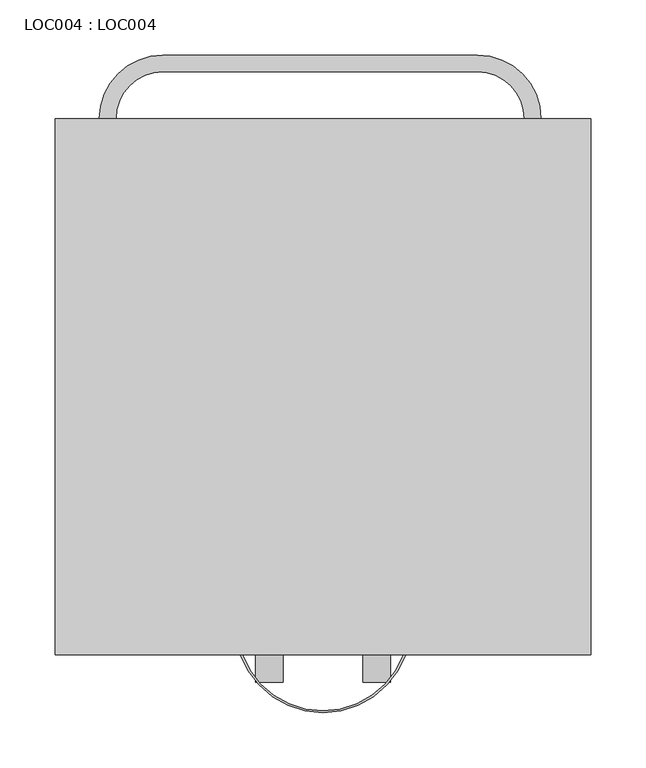
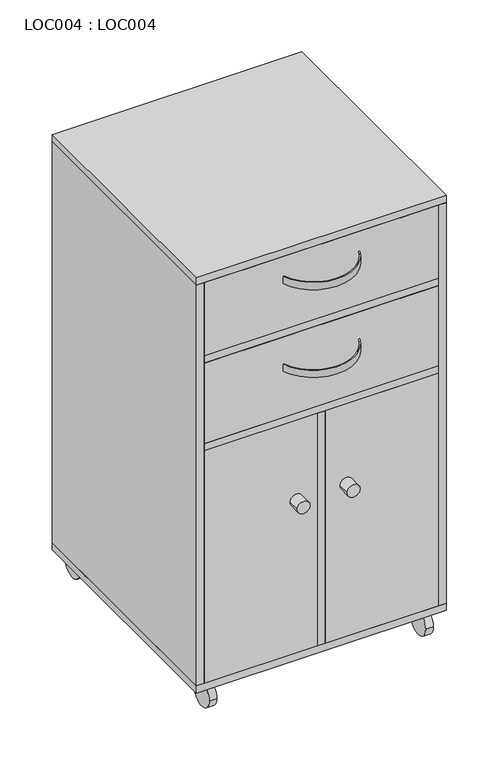
"""IFC4 building model written with IfcOpenShell, lengths in millimetres: proxy geometry, LOC004 : LOC004."""

from ifc_helpers import new_model, si_unit, point, frame, frame_2d, origin, place, context, project, spatial, polyline, circle_curve, trimmed, segment, composite_curve, outline, extrude, source, transform, mapped, element, save


def loc004_loc004_8f75131f(model_context):
    return source(origin(), model_context, "Body", "SweptSolid", [
        extrude(outline(polyline([(470.0200024, -485.0), (15.0199998, -485.0), (15.0199998, -470.0100031), (470.0200024, -470.0100031), (470.0200024, -485.0)])), frame((0.0, 0.0, 736.9999998), z_axis=(0.0, 0.0, 1.0), x_axis=(1.0, 0.0, 0.0)), (0.0, 0.0, 1.0), 150.0000011),
        extrude(outline(polyline([(470.0200024, -485.0), (15.0199998, -485.0), (15.0199998, -470.0100031), (470.0200024, -470.0100031), (470.0200024, -485.0)])), frame((0.0, 0.0, 557.000013), z_axis=(0.0, 0.0, 1.0), x_axis=(1.0, 0.0, 0.0)), (0.0, 0.0, 1.0), 164.9999577),
        extrude(outline(polyline([(234.9799981, -485.0), (15.0199998, -485.0), (15.0199998, -470.0100031), (234.9799981, -470.0100031), (234.9799981, -485.0)])), frame((0.0, 0.0, 65.0000296), z_axis=(0.0, 0.0, 1.0), x_axis=(1.0, 0.0, 0.0)), (0.0, 0.0, 1.0), 476.9999542),
        extrude(outline(polyline([(470.0200024, -485.0), (250.0600041, -485.0), (250.0600041, -470.0100031), (470.0200024, -470.0100031), (470.0200024, -485.0)])), frame((0.0, 0.0, 65.0000296), z_axis=(0.0, 0.0, 1.0), x_axis=(1.0, 0.0, 0.0)), (0.0, 0.0, 1.0), 476.9999542),
        extrude(outline(polyline([(234.9799981, -485.0), (234.9799981, -14.9899969), (249.9800091, -14.9899969), (249.9800091, -485.0), (234.9799981, -485.0)])), frame((0.0, 0.0, 65.0000296), z_axis=(0.0, 0.0, 1.0), x_axis=(1.0, 0.0, 0.0)), (0.0, 0.0, 1.0), 476.9999542),
        extrude(outline(polyline([(15.0199998, -485.0100031), (15.0199998, -14.9899969), (470.0200024, -14.9899969), (470.0200024, -485.0100031), (15.0199998, -485.0100031)])), frame((0.0, 0.0, 721.9999706), z_axis=(0.0, 0.0, 1.0), x_axis=(1.0, 0.0, 0.0)), (0.0, 0.0, 1.0), 15.0000292),
        extrude(outline(polyline([(15.0199998, -485.0100031), (15.0199998, -14.9899969), (470.0200024, -14.9899969), (470.0200024, -485.0100031), (15.0199998, -485.0100031)])), frame((0.0, 0.0, 541.9999838), z_axis=(0.0, 0.0, 1.0), x_axis=(1.0, 0.0, 0.0)), (0.0, 0.0, 1.0), 15.0000292),
        extrude(outline(composite_curve([segment(trimmed(circle_curve(frame_2d((-25.0100016, 25.0000002)), 25.0), [point((-50.0100016, 25.0000002))], [point((-0.0100016, 25.0000002))], False, "CARTESIAN"), True, "CONTINUOUS"), segment(trimmed(circle_curve(frame_2d((-25.0100016, 25.0000002)), 25.0), [point((-0.0100016, 25.0000002))], [point((-50.0100016, 25.0000002))], False, "CARTESIAN"), True, "CONTINUOUS")], self_intersect=False)), frame((25.0000053, 0.0, 0.0), z_axis=(1.0, 0.0, 0.0), x_axis=(0.0, 1.0, 0.0)), (0.0, 0.0, 1.0), 14.9999928),
        extrude(outline(composite_curve([segment(trimmed(circle_curve(frame_2d((-460.0100031, 25.0000002)), 25.0), [point((-485.0100031, 25.0000002))], [point((-435.0100031, 25.0000002))], False, "CARTESIAN"), True, "CONTINUOUS"), segment(trimmed(circle_curve(frame_2d((-460.0100031, 25.0000002)), 25.0), [point((-435.0100031, 25.0000002))], [point((-485.0100031, 25.0000002))], False, "CARTESIAN"), True, "CONTINUOUS")], self_intersect=False)), frame((25.0000053, 0.0, 0.0), z_axis=(1.0, 0.0, 0.0), x_axis=(0.0, 1.0, 0.0)), (0.0, 0.0, 1.0), 14.9999928),
        extrude(outline(composite_curve([segment(trimmed(circle_curve(frame_2d((-25.0100016, 25.0000002)), 25.0), [point((-50.0100016, 25.0000002))], [point((-0.0100016, 25.0000002))], False, "CARTESIAN"), True, "CONTINUOUS"), segment(trimmed(circle_curve(frame_2d((-25.0100016, 25.0000002)), 25.0), [point((-0.0100016, 25.0000002))], [point((-50.0100016, 25.0000002))], False, "CARTESIAN"), True, "CONTINUOUS")], self_intersect=False)), frame((445.0200022, 0.0, 0.0), z_axis=(1.0, 0.0, 0.0), x_axis=(0.0, 1.0, 0.0)), (0.0, 0.0, 1.0), 14.9999928),
        extrude(outline(composite_curve([segment(trimmed(circle_curve(frame_2d((-460.0100031, 25.0000002)), 25.0), [point((-485.0100031, 25.0000002))], [point((-435.0100031, 25.0000002))], False, "CARTESIAN"), True, "CONTINUOUS"), segment(trimmed(circle_curve(frame_2d((-460.0100031, 25.0000002)), 25.0), [point((-435.0100031, 25.0000002))], [point((-485.0100031, 25.0000002))], False, "CARTESIAN"), True, "CONTINUOUS")], self_intersect=False)), frame((445.0200022, 0.0, 0.0), z_axis=(1.0, 0.0, 0.0), x_axis=(0.0, 1.0, 0.0)), (0.0, 0.0, 1.0), 14.9999928),
        extrude(outline(composite_curve([segment(polyline([(55.0100026, 0.0100031), (40.02, 0.0100031)]), True, "CONTINUOUS"), segment(trimmed(circle_curve(frame_2d((97.5099983, 0.0100031)), 57.4899983), [point((40.02, 0.0100031))], [point((97.5099983, 57.5000013))], False, "CARTESIAN"), True, "CONTINUOUS"), segment(polyline([(97.5099983, 57.5000013), (382.5000175, 57.5000013)]), True, "CONTINUOUS"), segment(trimmed(circle_curve(frame_2d((382.5000175, 0.0100031)), 57.4899983), [point((382.5000175, 57.5000013))], [point((439.9900157, 0.0100031))], False, "CARTESIAN"), True, "CONTINUOUS"), segment(polyline([(439.9900157, 0.0100031), (424.9992211, 0.0100031)]), True, "CONTINUOUS"), segment(trimmed(circle_curve(frame_2d((382.5092247, 0.0100031)), 42.4899963), [point((424.9992211, 0.0100031))], [point((382.5092247, 42.4999994))], True, "CARTESIAN"), True, "CONTINUOUS"), segment(polyline([(382.5092247, 42.4999994), (97.4999989, 42.4999994)]), True, "CONTINUOUS"), segment(trimmed(circle_curve(frame_2d((97.4999989, 0.0100031)), 42.4899963), [point((97.4999989, 42.4999994))], [point((55.0100026, 0.0100031))], True, "CARTESIAN"), True, "CONTINUOUS")], self_intersect=False)), frame((0.0, 0.0, 792.8777537), z_axis=(0.0, 0.0, 1.0), x_axis=(1.0, 0.0, 0.0)), (0.0, 0.0, 1.0), 14.2926472),
        extrude(outline(composite_curve([segment(trimmed(circle_curve(frame_2d((378.5800169, 194.0099964)), 12.4760252), [point((378.5800169, 181.5339712))], [point((378.5800169, 206.4860216))], False, "CARTESIAN"), True, "CONTINUOUS"), segment(trimmed(circle_curve(frame_2d((378.5800169, 194.0099964)), 12.4760252), [point((378.5800169, 206.4860216))], [point((378.5800169, 181.5339712))], False, "CARTESIAN"), True, "CONTINUOUS")], self_intersect=False)), frame((0.0, -510.0100033, 0.0), z_axis=(0.0, 1.0, 0.0), x_axis=(0.0, 0.0, 1.0)), (0.0, 0.0, 1.0), 25.0000002),
        extrude(outline(composite_curve([segment(trimmed(circle_curve(frame_2d((378.5800169, 291.0399931)), 12.4570057), [point((378.5800169, 278.5829875))], [point((378.5800169, 303.4969988))], False, "CARTESIAN"), True, "CONTINUOUS"), segment(trimmed(circle_curve(frame_2d((378.5800169, 291.0399931)), 12.4570057), [point((378.5800169, 303.4969988))], [point((378.5800169, 278.5829875))], False, "CARTESIAN"), True, "CONTINUOUS")], self_intersect=False)), frame((0.0, -510.0100033, 0.0), z_axis=(0.0, 1.0, 0.0), x_axis=(0.0, 0.0, 1.0)), (0.0, 0.0, 1.0), 25.0000002),
        extrude(outline(polyline([(485.0199952, -485.0100031), (470.0200024, -485.0100031), (470.0200024, 0.0), (485.0199952, 0.0), (485.0199952, -485.0100031)])), frame((0.0, 0.0, 65.0000296), z_axis=(0.0, 0.0, 1.0), x_axis=(1.0, 0.0, 0.0)), (0.0, 0.0, 1.0), 821.9999714),
        extrude(outline(polyline([(15.0199998, -485.0100031), (0.0, -485.0100031), (0.0, 0.0), (15.0199998, 0.0), (15.0199998, -485.0100031)])), frame((0.0, 0.0, 65.0000296), z_axis=(0.0, 0.0, 1.0), x_axis=(1.0, 0.0, 0.0)), (0.0, 0.0, 1.0), 821.9999714),
        extrude(outline(polyline([(470.0200024, -14.9899969), (15.0199998, -14.9899969), (15.0199998, 0.0), (470.0200024, 0.0), (470.0200024, -14.9899969)])), frame((0.0, 0.0, 65.0000296), z_axis=(0.0, 0.0, 1.0), x_axis=(1.0, 0.0, 0.0)), (0.0, 0.0, 1.0), 821.9999714),
        extrude(outline(polyline([(0.0, -485.0), (0.0, 0.0100031), (485.0199952, 0.0100031), (485.0199952, -485.0), (0.0, -485.0)])), frame((0.0, 0.0, 50.0000004), z_axis=(0.0, 0.0, 1.0), x_axis=(1.0, 0.0, 0.0)), (0.0, 0.0, 1.0), 15.0000292),
        extrude(outline(composite_curve([segment(trimmed(circle_curve(frame_2d((242.5200079, -457.6746807)), 79.8266349), [point((317.5200085, -485.0113145))], [point((167.5200073, -485.0113145))], False, "CARTESIAN"), True, "CONTINUOUS"), segment(polyline([(167.5200073, -485.0113145), (168.5286354, -485.0113145), (169.5111148, -485.0113145)]), True, "CONTINUOUS"), segment(trimmed(circle_curve(frame_2d((242.4582423, -458.3133394)), 77.6792462), [point((169.5111148, -485.0113145))], [point((315.4053699, -485.0113145))], True, "CARTESIAN"), True, "CONTINUOUS"), segment(polyline([(315.4053699, -485.0113145), (316.4799991, -485.0113145), (317.5200085, -485.0113145)]), True, "CONTINUOUS")], self_intersect=False)), frame((0.0, 0.0, 652.1949449), z_axis=(0.0, 0.0, 1.0), x_axis=(1.0, 0.0, 0.0)), (0.0, 0.0, 1.0), 14.8057611),
        extrude(outline(composite_curve([segment(trimmed(circle_curve(frame_2d((242.5200079, -457.6733692)), 79.8266349), [point((317.5200085, -485.0100031))], [point((167.5200073, -485.0100031))], False, "CARTESIAN"), True, "CONTINUOUS"), segment(polyline([(167.5200073, -485.0100031), (168.5286354, -485.0100031), (169.5111148, -485.0100031)]), True, "CONTINUOUS"), segment(trimmed(circle_curve(frame_2d((242.4582423, -458.312028)), 77.6792462), [point((169.5111148, -485.0100031))], [point((315.4053698, -485.0100031))], True, "CARTESIAN"), True, "CONTINUOUS"), segment(polyline([(315.4053698, -485.0100031), (316.4799991, -485.0100031), (317.5200085, -485.0100031)]), True, "CONTINUOUS")], self_intersect=False)), frame((0.0, 0.0, 832.1949449), z_axis=(0.0, 0.0, 1.0), x_axis=(1.0, 0.0, 0.0)), (0.0, 0.0, 1.0), 14.8057611),
        extrude(outline(polyline([(-0.0199952, -485.0100031), (-0.0199952, 0.0), (485.0, 0.0), (485.0, -485.0100031), (-0.0199952, -485.0100031)])), frame((0.0, 0.0, 50.0000004), z_axis=(0.0, 0.0, 1.0), x_axis=(1.0, 0.0, 0.0)), (0.0, 0.0, 1.0), 15.0000292),
        extrude(outline(polyline([(0.0, -485.0100031), (0.0, 0.0), (485.0199952, 0.0), (485.0199952, -485.0100031), (0.0, -485.0100031)])), frame((0.0, 0.0, 887.000001), z_axis=(0.0, 0.0, 1.0), x_axis=(1.0, 0.0, 0.0)), (0.0, 0.0, 1.0), 15.0000292),
    ])


if __name__ == "__main__":
    model = new_model("IFC4")
    model_context = context("Model", 3, world=origin())
    ifc_project = project(units=[si_unit("LENGTHUNIT", "METRE", prefix="MILLI")], contexts=[model_context])
    site = spatial("IfcSite", under=ifc_project)
    building = spatial("IfcBuilding", under=site)
    placement = place(None, origin())
    loc004_loc004_shape = loc004_loc004_8f75131f(model_context)
    element("IfcBuildingElementProxy", 1, Name="LOC004 : LOC004", ObjectType="LOC004 : LOC004", at=placement, inside=building, context=model_context, shape_type="MappedRepresentation", body=[
        mapped(loc004_loc004_shape, transform((0.0, 0.0, 0.0), x_axis=(1.0, 0.0, 0.0), y_axis=(0.0, 1.0, 0.0), z_axis=(0.0, 0.0, 1.0))),
    ])
    save(model, "model.ifc")
